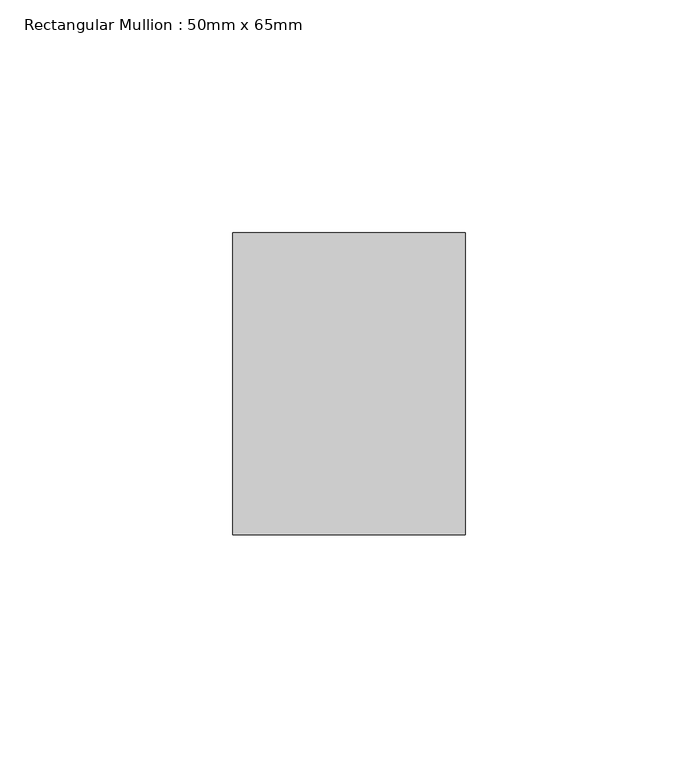
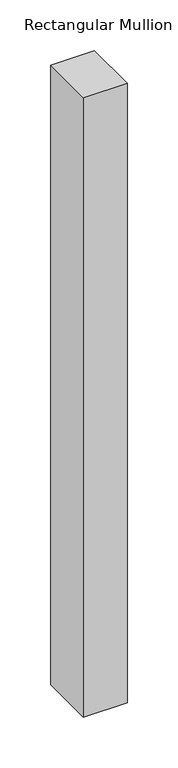
"""IFC4 building model written with IfcOpenShell, lengths in millimetres: member geometry, Rectangular Mullion : 50mm x 65mm."""

import ifcopenshell
import ifcopenshell.guid

model = None  # the IFC model being written
_history = None  # IfcOwnerHistory: only IFC2X3 demands one
_inside = {}  # id of a spatial element -> (the spatial element, [elements in it])
_under = {}  # id of a project, library or spatial element -> (it, [spatial elements below it])
_declared = {}  # id of a project -> (the project, [libraries it declares])
_typed = {}  # id of a type object -> (the type object, [elements of that type])
_made_of = {}  # id of a material, layer set ... -> (it, [elements and type objects made of it])


def new_model(schema):
    """Start an empty IFC model of exactly this schema.

    Asked for "IFC4X3", IfcOpenShell would pick the latest addendum, in which some entities
    have other attributes; the version numbers below select the first issue.
    IFC2X3 requires an IfcOwnerHistory on every rooted entity: one is made here for all.
    """
    global model, _history
    if schema == "IFC4X3":
        model = ifcopenshell.file(schema_version=(4, 3, 0, 0))
    else:
        model = ifcopenshell.file(schema=schema)
    _inside.clear()
    _under.clear()
    _declared.clear()
    _typed.clear()
    _made_of.clear()
    _history = None
    if model.schema == "IFC2X3":
        org = make("IfcOrganization", Name="unknown")
        user = make(
            "IfcPersonAndOrganization",
            ThePerson=make("IfcPerson", FamilyName="unknown"),
            TheOrganization=org,
        )
        app = make(
            "IfcApplication",
            ApplicationDeveloper=org,
            Version="unknown",
            ApplicationFullName="unknown",
            ApplicationIdentifier="unknown",
        )
        _history = make(
            "IfcOwnerHistory",
            OwningUser=user,
            OwningApplication=app,
            ChangeAction="ADDED",
            CreationDate=0,
        )
    return model


def make(cls, **values):
    """One entity of the class cls with the attributes given. An attribute that is None is left unset."""
    return model.create_entity(
        cls, **{name: value for name, value in values.items() if value is not None}
    )


def rooted(cls, **values):
    """An entity with a GlobalId (a new one), such as an element, a storey or a relation."""
    return make(cls, GlobalId=ifcopenshell.guid.new(), OwnerHistory=_history, **values)


def si_unit(unit_type, name, prefix=None):
    """IfcSIUnit, for example si_unit("LENGTHUNIT", "METRE", prefix="MILLI")."""
    return make("IfcSIUnit", UnitType=unit_type, Prefix=prefix, Name=name)


def assignment(units):
    """IfcUnitAssignment: the units of a project."""
    return None if units is None else make("IfcUnitAssignment", Units=units)


def point(xyz):
    """IfcCartesianPoint."""
    return None if xyz is None else make("IfcCartesianPoint", Coordinates=xyz)


def direction(xyz):
    """IfcDirection."""
    return None if xyz is None else make("IfcDirection", DirectionRatios=xyz)


def frame(location, z_axis=None, x_axis=None):
    """IfcAxis2Placement3D, a coordinate frame: its origin and axes. An axis left out is left unset."""
    return make(
        "IfcAxis2Placement3D",
        Location=point(location),
        Axis=direction(z_axis),
        RefDirection=direction(x_axis),
    )


def origin():
    """The frame at (0, 0, 0) with its axes left unset."""
    return frame((0.0, 0.0, 0.0))


def place(relative_to, where):
    """IfcLocalPlacement: puts the frame where relative to a parent placement (None: the world)."""
    return make(
        "IfcLocalPlacement", PlacementRelTo=relative_to, RelativePlacement=where
    )


def context(
    kind, dimensions, precision=None, world=None, true_north=None, identifier=None
):
    """IfcGeometricRepresentationContext, for example the 3D "Model" context."""
    return make(
        "IfcGeometricRepresentationContext",
        ContextIdentifier=identifier,
        ContextType=kind,
        CoordinateSpaceDimension=dimensions,
        Precision=precision,
        WorldCoordinateSystem=world,
        TrueNorth=true_north,
    )


def project(units=None, contexts=None):
    """IfcProject with its units and contexts."""
    return rooted(
        "IfcProject",
        Name="project",
        RepresentationContexts=contexts,
        UnitsInContext=assignment(units),
    )


def spatial(cls, under=None, at=None, **own):
    """A site, building, storey or space (cls), placed at a placement, below another one or the project."""
    s = rooted(cls, ObjectPlacement=at, **own)
    if under is not None:
        _under.setdefault(under.id(), (under, []))[1].append(s)
    return s


def polyline(points):
    """IfcPolyline through the points."""
    return make("IfcPolyline", Points=[point(p) for p in points])


def outline(outer, holes=None, kind="AREA"):
    """IfcArbitraryClosedProfileDef: a profile drawn as a closed curve; with holes, ...WithVoids."""
    if holes is None:
        return make("IfcArbitraryClosedProfileDef", ProfileType=kind, OuterCurve=outer)
    return make(
        "IfcArbitraryProfileDefWithVoids",
        ProfileType=kind,
        OuterCurve=outer,
        InnerCurves=holes,
    )


def extrude(swept, where, along, depth):
    """IfcExtrudedAreaSolid: the profile swept, set in the frame where, extruded along a direction by depth."""
    return make(
        "IfcExtrudedAreaSolid",
        SweptArea=swept,
        Position=where,
        ExtrudedDirection=direction(along),
        Depth=depth,
    )


def shape(context_of_items, identifier, shape_type, items):
    """IfcShapeRepresentation: the items that make up one representation, for example the "Body"."""
    return make(
        "IfcShapeRepresentation",
        ContextOfItems=context_of_items,
        RepresentationIdentifier=identifier,
        RepresentationType=shape_type,
        Items=items,
    )


def source(mapping_origin, context_of_items, identifier, shape_type, items):
    """IfcRepresentationMap: a shape defined once, which mapped items show again and again."""
    return make(
        "IfcRepresentationMap",
        MappingOrigin=mapping_origin,
        MappedRepresentation=shape(context_of_items, identifier, shape_type, items),
    )


def transform(
    local_origin,
    x_axis=None,
    y_axis=None,
    z_axis=None,
    scale=None,
    scale2=None,
    scale3=None,
    uniform=True,
):
    """IfcCartesianTransformationOperator3D, or its non-uniform kind. x_axis, y_axis, z_axis: its Axis1, 2, 3."""
    if uniform:
        return make(
            "IfcCartesianTransformationOperator3D",
            Axis1=direction(x_axis),
            Axis2=direction(y_axis),
            LocalOrigin=point(local_origin),
            Scale=scale,
            Axis3=direction(z_axis),
        )
    return make(
        "IfcCartesianTransformationOperator3DnonUniform",
        Axis1=direction(x_axis),
        Axis2=direction(y_axis),
        LocalOrigin=point(local_origin),
        Scale=scale,
        Axis3=direction(z_axis),
        Scale2=scale2,
        Scale3=scale3,
    )


def mapped(mapping_source, mapping_target):
    """IfcMappedItem: shows the shape of a source again, moved by a transform."""
    return make(
        "IfcMappedItem", MappingSource=mapping_source, MappingTarget=mapping_target
    )


def made_of(thing, what):
    """Note that an element or type object is made of a material, layer set ...; save() writes the relation."""
    if what is not None:
        _made_of.setdefault(what.id(), (what, []))[1].append(thing)
    return thing


def element(
    cls,
    number,
    at=None,
    inside=None,
    cuts=None,
    type_object=None,
    material=None,
    context=None,
    identifier="Body",
    shape_type=None,
    held_by="IfcProductDefinitionShape",
    body=None,
    shapes=None,
    **own,
):
    """One element of the class cls, such as IfcWall. Its Tag is "e" and its number.

    at: its placement. inside: the storey or other place that contains it. cuts: it is an
    opening in that element (IfcRelVoidsElement). A single representation is given by context,
    identifier, shape_type and body (its items); several are given by shapes. held_by: the class
    of the entity that holds the representations. save() writes the other relations.
    """
    e = rooted(cls, Tag="e%d" % number, ObjectPlacement=at, **own)
    if body is not None:
        shapes = [shape(context, identifier, shape_type, body)]
    if shapes is not None:
        e.Representation = make(held_by, Representations=shapes)
    if inside is not None:
        _inside.setdefault(inside.id(), (inside, []))[1].append(e)
    if cuts is not None:
        rooted(
            "IfcRelVoidsElement", RelatingBuildingElement=cuts, RelatedOpeningElement=e
        )
    if type_object is not None:
        _typed.setdefault(type_object.id(), (type_object, []))[1].append(e)
    return made_of(e, material)


def aggregate(whole, parts):
    """IfcRelAggregates: a whole, such as a stair, and the parts it consists of."""
    return rooted("IfcRelAggregates", RelatingObject=whole, RelatedObjects=parts)


def save(model, path):
    """Write the relations noted so far, then the file.

    IfcRelAggregates (storeys below a building ...), IfcRelContainedInSpatialStructure (elements
    in a storey), IfcRelDefinesByType, IfcRelAssociatesMaterial and IfcRelDeclares: one each for
    every whole, place, type object, material and project.
    """
    for whole, parts in _under.values():
        aggregate(whole, parts)
    for where, things in _inside.values():
        rooted(
            "IfcRelContainedInSpatialStructure",
            RelatedElements=things,
            RelatingStructure=where,
        )
    for kind, things in _typed.values():
        rooted("IfcRelDefinesByType", RelatedObjects=things, RelatingType=kind)
    for what, things in _made_of.values():
        rooted("IfcRelAssociatesMaterial", RelatedObjects=things, RelatingMaterial=what)
    for by, libraries in _declared.values():
        rooted("IfcRelDeclares", RelatingContext=by, RelatedDefinitions=libraries)
    model.write(path)


def rectangular_mullion_50mm_x_65mm_20c4d8aa(model_context):
    return source(origin(), model_context, "Body", "SweptSolid", [
        extrude(outline(polyline([(25.0, 32.5), (25.0, -32.5), (-25.0, -32.5), (-25.0, 32.5), (25.0, 32.5)])), frame((0.0, 0.0, -748.3578655), z_axis=(0.0, 0.0, 1.0), x_axis=(1.0, 0.0, 0.0)), (0.0, 0.0, 1.0), 748.3578655),
    ])


if __name__ == "__main__":
    model = new_model("IFC4")
    model_context = context("Model", 3, world=origin())
    ifc_project = project(units=[si_unit("LENGTHUNIT", "METRE", prefix="MILLI")], contexts=[model_context])
    site = spatial("IfcSite", under=ifc_project)
    building = spatial("IfcBuilding", under=site)
    placement = place(None, origin())
    rectangular_mullion_50mm_x_65mm_shape = rectangular_mullion_50mm_x_65mm_20c4d8aa(model_context)
    element("IfcMember", 1, ObjectType="Rectangular Mullion : 50mm x 65mm", at=placement, inside=building, context=model_context, shape_type="MappedRepresentation", body=[
        mapped(rectangular_mullion_50mm_x_65mm_shape, transform((0.0, 0.0, 0.0), x_axis=(1.0, 0.0, 0.0), y_axis=(0.0, 1.0, 0.0), z_axis=(0.0, 0.0, 1.0))),
    ])
    save(model, "model.ifc")
